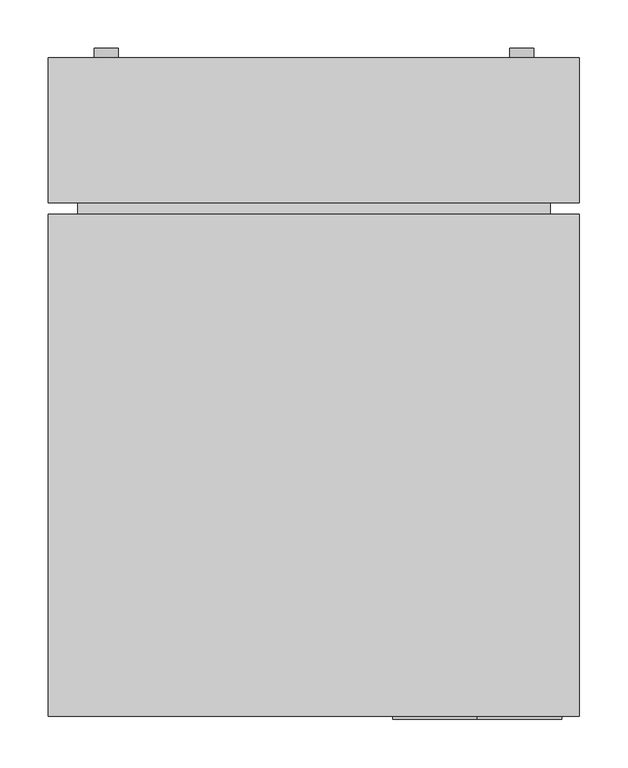
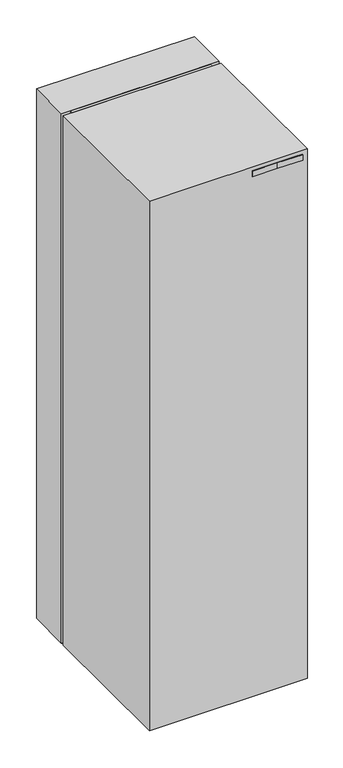
"""IFC4 building model written with IfcOpenShell, lengths in millimetres: proxy geometry."""

from ifc_helpers import new_model, si_unit, point, frame, frame_2d, origin, place, context, project, spatial, polyline, circle_curve, trimmed, segment, composite_curve, outline, extrude, faceted_brep, source, transform, mapped, element, save
from ifc_brep_helpers import plane_surface, cylinder_surface, revolved_surface, advanced_brep


def specialty_equipment_4cf3c1c3(model_context):
    return source(origin(), model_context, "Body", "SolidModel", [
        extrude(outline(composite_curve([segment(trimmed(circle_curve(frame_2d((770.5, -87.555194)), 1.0), [point((771.5, -87.555194))], [point((770.5, -88.555194))], False, "CARTESIAN"), True, "CONTINUOUS"), segment(polyline([(770.5, -88.555194), (737.5, -88.555194)]), True, "CONTINUOUS"), segment(trimmed(circle_curve(frame_2d((737.5, -87.555194)), 1.0), [point((737.5, -88.555194))], [point((736.5, -87.555194))], False, "CARTESIAN"), True, "CONTINUOUS"), segment(polyline([(736.5, -87.555194), (736.5, -58.555194), (736.5, 87.444806)]), True, "CONTINUOUS"), segment(trimmed(circle_curve(frame_2d((737.5, 87.444806)), 1.0), [point((736.5, 87.444806))], [point((737.5, 88.444806))], False, "CARTESIAN"), True, "CONTINUOUS"), segment(polyline([(737.5, 88.444806), (770.5, 88.444806)]), True, "CONTINUOUS"), segment(trimmed(circle_curve(frame_2d((770.5, 87.444806)), 1.0), [point((770.5, 88.444806))], [point((771.5, 87.444806))], False, "CARTESIAN"), True, "CONTINUOUS"), segment(polyline([(771.5, 87.444806), (771.5, -87.555194)]), True, "CONTINUOUS")], self_intersect=False), holes=[composite_curve([segment(trimmed(circle_curve(frame_2d((754.0, -75.055194)), 7.1), [point((754.0, -67.955194))], [point((754.0, -82.155194))], True, "CARTESIAN"), True, "CONTINUOUS"), segment(trimmed(circle_curve(frame_2d((754.0, -75.055194)), 7.1), [point((754.0, -82.155194))], [point((754.0, -67.955194))], True, "CARTESIAN"), True, "CONTINUOUS")], self_intersect=False), composite_curve([segment(trimmed(circle_curve(frame_2d((754.0, 74.944806)), 7.1), [point((754.0, 82.044806))], [point((754.0, 67.844806))], True, "CARTESIAN"), True, "CONTINUOUS"), segment(trimmed(circle_curve(frame_2d((754.0, 74.944806)), 7.1), [point((754.0, 67.844806))], [point((754.0, 82.044806))], True, "CARTESIAN"), True, "CONTINUOUS")], self_intersect=False)]), frame((0.0, 416.0980072, 0.0), z_axis=(0.0, 1.0, 0.0), x_axis=(0.0, 0.0, 1.0)), (0.0, 0.0, 1.0), 6.0019928),
        extrude(outline(polyline([(533.0, -197.044694), (533.0, -247.053194), (493.0, -247.053194), (493.0, -229.044694), (495.0, -229.044694), (495.0, -234.044694), (503.0, -234.044694), (503.0, -214.044694), (495.0, -214.044694), (495.0, -219.044694), (493.0, -219.044694), (493.0, -165.044694), (495.0, -165.044694), (495.0, -170.044694), (503.0, -170.044694), (503.0, -150.044694), (495.0, -150.044694), (495.0, -155.044694), (493.0, -155.044694), (493.0, -101.044694), (495.0, -101.044694), (495.0, -106.044694), (503.0, -106.044694), (503.0, -86.044694), (495.0, -86.044694), (495.0, -91.044694), (493.0, -91.044694), (493.0, -37.044694), (495.0, -37.044694), (495.0, -42.044694), (503.0, -42.044694), (503.0, -22.044694), (495.0, -22.044694), (495.0, -27.044694), (493.0, -27.044694), (493.0, 26.955306), (495.0, 26.955306), (495.0, 21.955306), (503.0, 21.955306), (503.0, 41.955306), (495.0, 41.955306), (495.0, 36.955306), (493.0, 36.955306), (493.0, 90.955306), (495.0, 90.955306), (495.0, 85.955306), (503.0, 85.955306), (503.0, 105.955306), (495.0, 105.955306), (495.0, 100.955306), (493.0, 100.955306), (493.0, 154.955306), (495.0, 154.955306), (495.0, 149.955306), (503.0, 149.955306), (503.0, 169.955306), (495.0, 169.955306), (495.0, 164.955306), (493.0, 164.955306), (493.0, 218.955306), (495.0, 218.955306), (495.0, 213.955306), (503.0, 213.955306), (503.0, 233.955306), (495.0, 233.955306), (495.0, 228.955306), (493.0, 228.955306), (493.0, 246.948806), (533.0, 246.948806), (533.0, 196.955306), (531.0, 196.955306), (531.0, 201.955306), (523.0, 201.955306), (523.0, 181.955306), (531.0, 181.955306), (531.0, 186.955306), (533.0, 186.955306), (533.0, 132.955306), (531.0, 132.955306), (531.0, 137.955306), (523.0, 137.955306), (523.0, 117.955306), (531.0, 117.955306), (531.0, 122.955306), (533.0, 122.955306), (533.0, 68.955306), (531.0, 68.955306), (531.0, 73.955306), (523.0, 73.955306), (523.0, 53.955306), (531.0, 53.955306), (531.0, 58.955306), (533.0, 58.955306), (533.0, 4.955306), (531.0, 4.955306), (531.0, 9.955306), (523.0, 9.955306), (523.0, -10.044694), (531.0, -10.044694), (531.0, -5.044694), (533.0, -5.044694), (533.0, -59.044694), (531.0, -59.044694), (531.0, -54.044694), (523.0, -54.044694), (523.0, -74.044694), (531.0, -74.044694), (531.0, -69.044694), (533.0, -69.044694), (533.0, -123.044694), (531.0, -123.044694), (531.0, -118.044694), (523.0, -118.044694), (523.0, -138.044694), (531.0, -138.044694), (531.0, -133.044694), (533.0, -133.044694), (533.0, -187.044694), (531.0, -187.044694), (531.0, -182.044694), (523.0, -182.044694), (523.0, -202.044694), (531.0, -202.044694), (531.0, -197.044694), (533.0, -197.044694)]), holes=[composite_curve([segment(trimmed(circle_curve(frame_2d((513.0, -193.044694)), 2.25), [point((513.0, -195.294694))], [point((513.0, -190.794694))], True, "CARTESIAN"), True, "CONTINUOUS"), segment(trimmed(circle_curve(frame_2d((513.0, -193.044694)), 2.25), [point((513.0, -190.794694))], [point((513.0, -195.294694))], True, "CARTESIAN"), True, "CONTINUOUS")], self_intersect=False), composite_curve([segment(trimmed(circle_curve(frame_2d((513.0, -91.544694)), 4.5), [point((514.7237205, -87.3879179))], [point((511.2762795, -95.7014701))], True, "CARTESIAN"), True, "CONTINUOUS"), segment(trimmed(circle_curve(frame_2d((513.0, -91.544694)), 4.5), [point((511.2762795, -95.7014701))], [point((514.7237205, -87.3879179))], True, "CARTESIAN"), True, "CONTINUOUS")], self_intersect=False), composite_curve([segment(trimmed(circle_curve(frame_2d((513.0, 91.455306)), 4.5), [point((514.7237205, 95.6120821))], [point((511.2762795, 87.2985299))], True, "CARTESIAN"), True, "CONTINUOUS"), segment(trimmed(circle_curve(frame_2d((513.0, 91.455306)), 4.5), [point((511.2762795, 87.2985299))], [point((514.7237205, 95.6120821))], True, "CARTESIAN"), True, "CONTINUOUS")], self_intersect=False), composite_curve([segment(trimmed(circle_curve(frame_2d((513.0, 192.955306)), 2.25), [point((513.0, 190.705306))], [point((513.0, 195.205306))], True, "CARTESIAN"), True, "CONTINUOUS"), segment(trimmed(circle_curve(frame_2d((513.0, 192.955306)), 2.25), [point((513.0, 195.205306))], [point((513.0, 190.705306))], True, "CARTESIAN"), True, "CONTINUOUS")], self_intersect=False)]), frame((0.0, 416.0980072, 0.0), z_axis=(0.0, 1.0, 0.0), x_axis=(0.0, 0.0, 1.0)), (0.0, 0.0, 1.0), 6.0019928),
        extrude(outline(polyline([(1088.0, -197.044694), (1088.0, -247.053194), (1048.0, -247.053194), (1048.0, -229.044694), (1050.0, -229.044694), (1050.0, -234.044694), (1058.0, -234.044694), (1058.0, -214.044694), (1050.0, -214.044694), (1050.0, -219.044694), (1048.0, -219.044694), (1048.0, -165.044694), (1050.0, -165.044694), (1050.0, -170.044694), (1058.0, -170.044694), (1058.0, -150.044694), (1050.0, -150.044694), (1050.0, -155.044694), (1048.0, -155.044694), (1048.0, -101.044694), (1050.0, -101.044694), (1050.0, -106.044694), (1058.0, -106.044694), (1058.0, -86.044694), (1050.0, -86.044694), (1050.0, -91.044694), (1048.0, -91.044694), (1048.0, -37.044694), (1050.0, -37.044694), (1050.0, -42.044694), (1058.0, -42.044694), (1058.0, -22.044694), (1050.0, -22.044694), (1050.0, -27.044694), (1048.0, -27.044694), (1048.0, 26.955306), (1050.0, 26.955306), (1050.0, 21.955306), (1058.0, 21.955306), (1058.0, 41.955306), (1050.0, 41.955306), (1050.0, 36.955306), (1048.0, 36.955306), (1048.0, 90.955306), (1050.0, 90.955306), (1050.0, 85.955306), (1058.0, 85.955306), (1058.0, 105.955306), (1050.0, 105.955306), (1050.0, 100.955306), (1048.0, 100.955306), (1048.0, 154.955306), (1050.0, 154.955306), (1050.0, 149.955306), (1058.0, 149.955306), (1058.0, 169.955306), (1050.0, 169.955306), (1050.0, 164.955306), (1048.0, 164.955306), (1048.0, 218.955306), (1050.0, 218.955306), (1050.0, 213.955306), (1058.0, 213.955306), (1058.0, 233.955306), (1050.0, 233.955306), (1050.0, 228.955306), (1048.0, 228.955306), (1048.0, 246.948806), (1088.0, 246.948806), (1088.0, 196.955306), (1086.0, 196.955306), (1086.0, 201.955306), (1078.0, 201.955306), (1078.0, 181.955306), (1086.0, 181.955306), (1086.0, 186.955306), (1088.0, 186.955306), (1088.0, 132.955306), (1086.0, 132.955306), (1086.0, 137.955306), (1078.0, 137.955306), (1078.0, 117.955306), (1086.0, 117.955306), (1086.0, 122.955306), (1088.0, 122.955306), (1088.0, 68.955306), (1086.0, 68.955306), (1086.0, 73.955306), (1078.0, 73.955306), (1078.0, 53.955306), (1086.0, 53.955306), (1086.0, 58.955306), (1088.0, 58.955306), (1088.0, 4.955306), (1086.0, 4.955306), (1086.0, 9.955306), (1078.0, 9.955306), (1078.0, -10.044694), (1086.0, -10.044694), (1086.0, -5.044694), (1088.0, -5.044694), (1088.0, -59.044694), (1086.0, -59.044694), (1086.0, -54.044694), (1078.0, -54.044694), (1078.0, -74.044694), (1086.0, -74.044694), (1086.0, -69.044694), (1088.0, -69.044694), (1088.0, -123.044694), (1086.0, -123.044694), (1086.0, -118.044694), (1078.0, -118.044694), (1078.0, -138.044694), (1086.0, -138.044694), (1086.0, -133.044694), (1088.0, -133.044694), (1088.0, -187.044694), (1086.0, -187.044694), (1086.0, -182.044694), (1078.0, -182.044694), (1078.0, -202.044694), (1086.0, -202.044694), (1086.0, -197.044694), (1088.0, -197.044694)]), holes=[composite_curve([segment(trimmed(circle_curve(frame_2d((1068.0, -193.044694)), 2.25), [point((1068.0, -195.294694))], [point((1068.0, -190.794694))], True, "CARTESIAN"), True, "CONTINUOUS"), segment(trimmed(circle_curve(frame_2d((1068.0, -193.044694)), 2.25), [point((1068.0, -190.794694))], [point((1068.0, -195.294694))], True, "CARTESIAN"), True, "CONTINUOUS")], self_intersect=False), composite_curve([segment(trimmed(circle_curve(frame_2d((1068.0, -91.544694)), 4.5), [point((1069.7237205, -87.3879179))], [point((1066.2762795, -95.7014701))], True, "CARTESIAN"), True, "CONTINUOUS"), segment(trimmed(circle_curve(frame_2d((1068.0, -91.544694)), 4.5), [point((1066.2762795, -95.7014701))], [point((1069.7237205, -87.3879179))], True, "CARTESIAN"), True, "CONTINUOUS")], self_intersect=False), composite_curve([segment(trimmed(circle_curve(frame_2d((1068.0, 91.455306)), 4.5), [point((1069.7237205, 95.6120821))], [point((1066.2762795, 87.2985299))], True, "CARTESIAN"), True, "CONTINUOUS"), segment(trimmed(circle_curve(frame_2d((1068.0, 91.455306)), 4.5), [point((1066.2762795, 87.2985299))], [point((1069.7237205, 95.6120821))], True, "CARTESIAN"), True, "CONTINUOUS")], self_intersect=False), composite_curve([segment(trimmed(circle_curve(frame_2d((1068.0, 192.955306)), 2.25), [point((1068.0, 190.705306))], [point((1068.0, 195.205306))], True, "CARTESIAN"), True, "CONTINUOUS"), segment(trimmed(circle_curve(frame_2d((1068.0, 192.955306)), 2.25), [point((1068.0, 195.205306))], [point((1068.0, 190.705306))], True, "CARTESIAN"), True, "CONTINUOUS")], self_intersect=False)]), frame((0.0, 416.0980072, 0.0), z_axis=(0.0, 1.0, 0.0), x_axis=(0.0, 0.0, 1.0)), (0.0, 0.0, 1.0), 6.0019928),
        extrude(outline(polyline([(1663.0, -197.046694), (1663.0, -247.055194), (1623.0, -247.055194), (1623.0, -229.046694), (1625.0, -229.046694), (1625.0, -234.046694), (1633.0, -234.046694), (1633.0, -214.046694), (1625.0, -214.046694), (1625.0, -219.046694), (1623.0, -219.046694), (1623.0, -165.046694), (1625.0, -165.046694), (1625.0, -170.046694), (1633.0, -170.046694), (1633.0, -150.046694), (1625.0, -150.046694), (1625.0, -155.046694), (1623.0, -155.046694), (1623.0, -101.046694), (1625.0, -101.046694), (1625.0, -106.046694), (1633.0, -106.046694), (1633.0, -86.046694), (1625.0, -86.046694), (1625.0, -91.046694), (1623.0, -91.046694), (1623.0, -37.046694), (1625.0, -37.046694), (1625.0, -42.046694), (1633.0, -42.046694), (1633.0, -22.046694), (1625.0, -22.046694), (1625.0, -27.046694), (1623.0, -27.046694), (1623.0, 26.953306), (1625.0, 26.953306), (1625.0, 21.953306), (1633.0, 21.953306), (1633.0, 41.953306), (1625.0, 41.953306), (1625.0, 36.953306), (1623.0, 36.953306), (1623.0, 90.953306), (1625.0, 90.953306), (1625.0, 85.953306), (1633.0, 85.953306), (1633.0, 105.953306), (1625.0, 105.953306), (1625.0, 100.953306), (1623.0, 100.953306), (1623.0, 154.953306), (1625.0, 154.953306), (1625.0, 149.953306), (1633.0, 149.953306), (1633.0, 169.953306), (1625.0, 169.953306), (1625.0, 164.953306), (1623.0, 164.953306), (1623.0, 218.953306), (1625.0, 218.953306), (1625.0, 213.953306), (1633.0, 213.953306), (1633.0, 233.953306), (1625.0, 233.953306), (1625.0, 228.953306), (1623.0, 228.953306), (1623.0, 246.946806), (1663.0, 246.946806), (1663.0, 196.953306), (1661.0, 196.953306), (1661.0, 201.953306), (1653.0, 201.953306), (1653.0, 181.953306), (1661.0, 181.953306), (1661.0, 186.953306), (1663.0, 186.953306), (1663.0, 132.953306), (1661.0, 132.953306), (1661.0, 137.953306), (1653.0, 137.953306), (1653.0, 117.953306), (1661.0, 117.953306), (1661.0, 122.953306), (1663.0, 122.953306), (1663.0, 68.953306), (1661.0, 68.953306), (1661.0, 73.953306), (1653.0, 73.953306), (1653.0, 53.953306), (1661.0, 53.953306), (1661.0, 58.953306), (1663.0, 58.953306), (1663.0, 4.953306), (1661.0, 4.953306), (1661.0, 9.953306), (1653.0, 9.953306), (1653.0, -10.046694), (1661.0, -10.046694), (1661.0, -5.046694), (1663.0, -5.046694), (1663.0, -59.046694), (1661.0, -59.046694), (1661.0, -54.046694), (1653.0, -54.046694), (1653.0, -74.046694), (1661.0, -74.046694), (1661.0, -69.046694), (1663.0, -69.046694), (1663.0, -123.046694), (1661.0, -123.046694), (1661.0, -118.046694), (1653.0, -118.046694), (1653.0, -138.046694), (1661.0, -138.046694), (1661.0, -133.046694), (1663.0, -133.046694), (1663.0, -187.046694), (1661.0, -187.046694), (1661.0, -182.046694), (1653.0, -182.046694), (1653.0, -202.046694), (1661.0, -202.046694), (1661.0, -197.046694), (1663.0, -197.046694)]), holes=[composite_curve([segment(trimmed(circle_curve(frame_2d((1643.0, -193.046694)), 2.25), [point((1643.0, -195.296694))], [point((1643.0, -190.796694))], True, "CARTESIAN"), True, "CONTINUOUS"), segment(trimmed(circle_curve(frame_2d((1643.0, -193.046694)), 2.25), [point((1643.0, -190.796694))], [point((1643.0, -195.296694))], True, "CARTESIAN"), True, "CONTINUOUS")], self_intersect=False), composite_curve([segment(trimmed(circle_curve(frame_2d((1643.0, -91.546694)), 4.5), [point((1644.7237205, -87.3899179))], [point((1641.2762795, -95.7034701))], True, "CARTESIAN"), True, "CONTINUOUS"), segment(trimmed(circle_curve(frame_2d((1643.0, -91.546694)), 4.5), [point((1641.2762795, -95.7034701))], [point((1644.7237205, -87.3899179))], True, "CARTESIAN"), True, "CONTINUOUS")], self_intersect=False), composite_curve([segment(trimmed(circle_curve(frame_2d((1643.0, 91.453306)), 4.5), [point((1644.7237205, 95.6100821))], [point((1641.2762795, 87.2965299))], True, "CARTESIAN"), True, "CONTINUOUS"), segment(trimmed(circle_curve(frame_2d((1643.0, 91.453306)), 4.5), [point((1641.2762795, 87.2965299))], [point((1644.7237205, 95.6100821))], True, "CARTESIAN"), True, "CONTINUOUS")], self_intersect=False), composite_curve([segment(trimmed(circle_curve(frame_2d((1643.0, 192.953306)), 2.25), [point((1643.0, 190.703306))], [point((1643.0, 195.203306))], True, "CARTESIAN"), True, "CONTINUOUS"), segment(trimmed(circle_curve(frame_2d((1643.0, 192.953306)), 2.25), [point((1643.0, 195.203306))], [point((1643.0, 190.703306))], True, "CARTESIAN"), True, "CONTINUOUS")], self_intersect=False)]), frame((0.0, 416.0980072, 0.0), z_axis=(0.0, 1.0, 0.0), x_axis=(0.0, 0.0, 1.0)), (0.0, 0.0, 1.0), 6.0019928),
        extrude(outline(composite_curve([segment(trimmed(circle_curve(frame_2d((1799.9995987, -214.9999927)), 12.5), [point((1799.9995987, -227.4999927))], [point((1799.9995987, -202.4999927))], False, "CARTESIAN"), True, "CONTINUOUS"), segment(trimmed(circle_curve(frame_2d((1799.9995987, -214.9999927)), 12.5), [point((1799.9995987, -202.4999927))], [point((1799.9995987, -227.4999927))], False, "CARTESIAN"), True, "CONTINUOUS")], self_intersect=False), holes=[composite_curve([segment(trimmed(circle_curve(frame_2d((1799.9995987, -214.9999927)), 4.25), [point((1799.9995987, -219.2499927))], [point((1799.9995987, -210.7499927))], True, "CARTESIAN"), True, "CONTINUOUS"), segment(trimmed(circle_curve(frame_2d((1799.9995987, -214.9999927)), 4.25), [point((1799.9995987, -210.7499927))], [point((1799.9995987, -219.2499927))], True, "CARTESIAN"), True, "CONTINUOUS")], self_intersect=False)]), frame((0.0, 416.0980072, 0.0), z_axis=(0.0, 1.0, 0.0), x_axis=(0.0, 0.0, 1.0)), (0.0, 0.0, 1.0), 16.0019927),
        extrude(outline(composite_curve([segment(trimmed(circle_curve(frame_2d((1799.9995987, 215.2156848)), 12.5), [point((1799.9995987, 202.7156848))], [point((1799.9995987, 227.7156847))], False, "CARTESIAN"), True, "CONTINUOUS"), segment(trimmed(circle_curve(frame_2d((1799.9995987, 215.2156848)), 12.5), [point((1799.9995987, 227.7156847))], [point((1799.9995987, 202.7156848))], False, "CARTESIAN"), True, "CONTINUOUS")], self_intersect=False), holes=[composite_curve([segment(trimmed(circle_curve(frame_2d((1799.9995987, 215.2156848)), 4.25), [point((1799.9995987, 210.9656848))], [point((1799.9995987, 219.4656848))], True, "CARTESIAN"), True, "CONTINUOUS"), segment(trimmed(circle_curve(frame_2d((1799.9995987, 215.2156848)), 4.25), [point((1799.9995987, 219.4656848))], [point((1799.9995987, 210.9656848))], True, "CARTESIAN"), True, "CONTINUOUS")], self_intersect=False)]), frame((0.0, 416.0980072, 0.0), z_axis=(0.0, 1.0, 0.0), x_axis=(0.0, 0.0, 1.0)), (0.0, 0.0, 1.0), 16.0019927),
        extrude(outline(composite_curve([segment(trimmed(circle_curve(frame_2d((399.9995987, -214.9999927)), 12.5), [point((399.9995987, -227.4999927))], [point((399.9995987, -202.4999927))], False, "CARTESIAN"), True, "CONTINUOUS"), segment(trimmed(circle_curve(frame_2d((399.9995987, -214.9999927)), 12.5), [point((399.9995987, -202.4999927))], [point((399.9995987, -227.4999927))], False, "CARTESIAN"), True, "CONTINUOUS")], self_intersect=False), holes=[composite_curve([segment(trimmed(circle_curve(frame_2d((399.9995987, -214.9999927)), 4.25), [point((399.9995987, -219.2499927))], [point((399.9995987, -210.7499927))], True, "CARTESIAN"), True, "CONTINUOUS"), segment(trimmed(circle_curve(frame_2d((399.9995987, -214.9999927)), 4.25), [point((399.9995987, -210.7499927))], [point((399.9995987, -219.2499927))], True, "CARTESIAN"), True, "CONTINUOUS")], self_intersect=False)]), frame((0.0, 416.0980072, 0.0), z_axis=(0.0, 1.0, 0.0), x_axis=(0.0, 0.0, 1.0)), (0.0, 0.0, 1.0), 16.0019927),
        extrude(outline(composite_curve([segment(trimmed(circle_curve(frame_2d((399.9995987, 215.2156848)), 12.5), [point((399.9995987, 202.7156848))], [point((399.9995987, 227.7156847))], False, "CARTESIAN"), True, "CONTINUOUS"), segment(trimmed(circle_curve(frame_2d((399.9995987, 215.2156848)), 12.5), [point((399.9995987, 227.7156847))], [point((399.9995987, 202.7156848))], False, "CARTESIAN"), True, "CONTINUOUS")], self_intersect=False), holes=[composite_curve([segment(trimmed(circle_curve(frame_2d((399.9995987, 215.2156848)), 4.25), [point((399.9995987, 210.9656848))], [point((399.9995987, 219.4656848))], True, "CARTESIAN"), True, "CONTINUOUS"), segment(trimmed(circle_curve(frame_2d((399.9995987, 215.2156848)), 4.25), [point((399.9995987, 219.4656848))], [point((399.9995987, 210.9656848))], True, "CARTESIAN"), True, "CONTINUOUS")], self_intersect=False)]), frame((0.0, 416.0980072, 0.0), z_axis=(0.0, 1.0, 0.0), x_axis=(0.0, 0.0, 1.0)), (0.0, 0.0, 1.0), 16.0019927),
        extrude(outline(composite_curve([segment(trimmed(circle_curve(frame_2d((-222.639509, 21.2855606)), 21.2855606), [point((-201.3539484, 21.2855606))], [point((-243.9250696, 21.2855606))], False, "CARTESIAN"), True, "CONTINUOUS"), segment(trimmed(circle_curve(frame_2d((-222.639509, 21.2855606)), 21.2855606), [point((-243.9250696, 21.2855606))], [point((-201.3539484, 21.2855606))], False, "CARTESIAN"), True, "CONTINUOUS")], self_intersect=False)), frame((257.6486055, 0.0, 0.0), z_axis=(1.0, 0.0, 0.0), x_axis=(0.0, 1.0, 0.0)), (0.0, 0.0, 1.0), 10.0),
        extrude(outline(composite_curve([segment(trimmed(circle_curve(frame_2d((-222.639509, 21.2855606)), 21.2855606), [point((-201.3539484, 21.2855606))], [point((-243.9250696, 21.2855606))], False, "CARTESIAN"), True, "CONTINUOUS"), segment(trimmed(circle_curve(frame_2d((-222.639509, 21.2855606)), 21.2855606), [point((-243.9250696, 21.2855606))], [point((-201.3539484, 21.2855606))], False, "CARTESIAN"), True, "CONTINUOUS")], self_intersect=False)), frame((-267.6486055, 0.0, 0.0), z_axis=(1.0, 0.0, 0.0), x_axis=(0.0, 1.0, 0.0)), (0.0, 0.0, 1.0), 10.0),
        extrude(outline(composite_curve([segment(trimmed(circle_curve(frame_2d((208.639509, 21.2855606)), 21.2855606), [point((229.9250696, 21.2855606))], [point((187.3539484, 21.2855606))], False, "CARTESIAN"), True, "CONTINUOUS"), segment(trimmed(circle_curve(frame_2d((208.639509, 21.2855606)), 21.2855606), [point((187.3539484, 21.2855606))], [point((229.9250696, 21.2855606))], False, "CARTESIAN"), True, "CONTINUOUS")], self_intersect=False)), frame((257.6486055, 0.0, 0.0), z_axis=(1.0, 0.0, 0.0), x_axis=(0.0, 1.0, 0.0)), (0.0, 0.0, 1.0), 10.0),
        extrude(outline(composite_curve([segment(trimmed(circle_curve(frame_2d((208.639509, 21.2855606)), 21.2855606), [point((229.9250696, 21.2855606))], [point((187.3539484, 21.2855606))], False, "CARTESIAN"), True, "CONTINUOUS"), segment(trimmed(circle_curve(frame_2d((208.639509, 21.2855606)), 21.2855606), [point((187.3539484, 21.2855606))], [point((229.9250696, 21.2855606))], False, "CARTESIAN"), True, "CONTINUOUS")], self_intersect=False)), frame((-267.6486055, 0.0, 0.0), z_axis=(1.0, 0.0, 0.0), x_axis=(0.0, 1.0, 0.0)), (0.0, 0.0, 1.0), 10.0),
        faceted_brep([(275.0, 422.1, 1955.0), (-275.0, 422.1, 1955.0), (-275.0, 272.0, 1955.0), (275.0, 272.0, 1955.0), (275.0, 422.1, 6.8587995), (275.0, 272.0, 6.8587995), (-275.0, 272.0, 6.8587995), (-275.0, 422.1, 6.8587995), (248.0, 422.1, 153.972), (248.0, 422.1, 1910.0), (-247.055194, 422.1, 1910.0), (-247.055194, 422.1, 153.972), (174.944806, 422.1, 1715.0), (-175.055194, 422.1, 1715.0), (-175.055194, 422.1, 1873.323), (174.944806, 422.1, 1873.323), (248.0, 416.0980072, 1910.0), (248.0, 416.0980072, 153.972), (-247.055194, 416.0980072, 153.972), (-247.055194, 416.0980072, 1910.0), (-175.055194, 416.0980072, 1715.0), (174.944806, 416.0980072, 1715.0), (174.944806, 416.0980072, 1873.323), (-175.055194, 416.0980072, 1873.323)], [[[0, 1, 2, 3]], [[4, 5, 6, 7]], [[1, 0, 4, 7], [8, 9, 10, 11]], [[12, 13, 14, 15]], [[2, 1, 7, 6]], [[3, 2, 6, 5]], [[0, 3, 5, 4]], [[16, 17, 18, 19], [20, 21, 22, 23]], [[17, 16, 9, 8]], [[18, 17, 8, 11]], [[19, 18, 11, 10]], [[16, 19, 10, 9]], [[21, 20, 13, 12]], [[22, 21, 12, 15]], [[23, 22, 15, 14]], [[20, 23, 14, 13]]]),
        extrude(outline(polyline([(244.7755311, 260.0), (-244.5481133, 260.0), (-244.5481133, 272.1), (244.7755311, 272.1), (244.7755311, 260.0)])), frame((0.0, 0.0, 14.0), z_axis=(0.0, 0.0, 1.0), x_axis=(1.0, 0.0, 0.0)), (0.0, 0.0, 1.0), 1940.0),
        extrude(outline(polyline([(275.0, 260.0), (275.0, -260.0), (-275.0, -260.0), (-275.0, 260.0), (275.0, 260.0)])), frame((0.0, 0.0, 6.8587995), z_axis=(0.0, 0.0, 1.0), x_axis=(1.0, 0.0, 0.0)), (0.0, 0.0, 1.0), 1948.1412005),
        advanced_brep(
        [(267.6486055, 281.2545468, 6.8587995), (255.8513945, 281.2545468, 6.8587995), (261.75, 281.2545468, 6.8587995), (267.6486055, 281.2545468, 6.0), (255.8513945, 281.2545468, 6.0), (269.75, 281.2545468, 6.0), (253.75, 281.2545468, 6.0), (269.330439, 281.2545468, 0.0), (254.169561, 281.2545468, 0.0), (261.75, 281.2545468, 0.0)],
        [
            (0, 1, circle_curve(frame((261.75, 281.2545468, 6.8587995), z_axis=(0.0, 0.0, 1.0), x_axis=(-1.0, 0.0, 0.0)), 5.8986055)),
            (1, 2),
            (2, 0),
            (1, 0, circle_curve(frame((261.75, 281.2545468, 6.8587995), z_axis=(0.0, 0.0, 1.0), x_axis=(-1.0, 0.0, 0.0)), 5.8986055)),
            (3, 4, circle_curve(frame((261.75, 281.2545468, 6.0), z_axis=(0.0, 0.0, 1.0), x_axis=(-1.0, 0.0, 0.0)), 5.8986055)),
            (4, 1),
            (0, 3),
            (4, 3, circle_curve(frame((261.75, 281.2545468, 6.0), z_axis=(0.0, 0.0, 1.0), x_axis=(-1.0, 0.0, 0.0)), 5.8986055)),
            (5, 6, circle_curve(frame((261.75, 281.2545468, 6.0), z_axis=(0.0, 0.0, 1.0), x_axis=(-1.0, 0.0, 0.0)), 8.0)),
            (6, 4),
            (3, 5),
            (6, 5, circle_curve(frame((261.75, 281.2545468, 6.0), z_axis=(0.0, 0.0, 1.0), x_axis=(-1.0, 0.0, 0.0)), 8.0)),
            (7, 8, circle_curve(frame((261.75, 281.2545468, 0.0), z_axis=(0.0, 0.0, 1.0), x_axis=(-1.0, 0.0, 0.0)), 7.580439)),
            (8, 6),
            (5, 7),
            (8, 7, circle_curve(frame((261.75, 281.2545468, 0.0), z_axis=(0.0, 0.0, 1.0), x_axis=(-1.0, 0.0, 0.0)), 7.580439)),
            (9, 8),
            (7, 9),
        ],
        [
            plane_surface(frame((261.75, 281.2545468, 6.8587995), z_axis=(0.0, 0.0, 1.0), x_axis=(-1.0, 0.0, 0.0))),
            cylinder_surface(frame((261.75, 281.2545468, 8.8756884), z_axis=(0.0, 0.0, -1.0), x_axis=(-1.0, 0.0, 0.0)), 5.8986055),
            plane_surface(frame((261.75, 281.2545468, 6.0), z_axis=(0.0, 0.0, 1.0), x_axis=(-1.0, 0.0, 0.0))),
            revolved_surface(polyline([(253.75, 281.2545468, 6.0), (254.169561, 281.2545468, 0.0)]), (261.75, 281.2545468, 8.8756884), (0.0, 0.0, -1.0)),
            plane_surface(frame((261.75, 281.2545468, 0.0), z_axis=(0.0, 0.0, -1.0), x_axis=(-1.0, 0.0, 0.0))),
        ],
        [
            (0, [[1, 2, 3]]),
            (0, [[4, -3, -2]]),
            (1, [[5, 6, -1, 7]]),
            (1, [[8, -7, -4, -6]]),
            (2, [[9, 10, -5, 11]]),
            (2, [[12, -11, -8, -10]]),
            (3, [[13, 14, -9, 15]]),
            (3, [[16, -15, -12, -14]]),
            (4, [[17, -13, 18]]),
            (4, [[-18, -16, -17]]),
        ],
    ),
        advanced_brep(
        [(-255.8513945, 281.2545468, 6.8587995), (-267.6486055, 281.2545468, 6.8587995), (-261.75, 281.2545468, 6.8587995), (-255.8513945, 281.2545468, 6.0), (-267.6486055, 281.2545468, 6.0), (-253.75, 281.2545468, 6.0), (-269.75, 281.2545468, 6.0), (-254.169561, 281.2545468, 0.0), (-269.330439, 281.2545468, 0.0), (-261.75, 281.2545468, 0.0)],
        [
            (0, 1, circle_curve(frame((-261.75, 281.2545468, 6.8587995), z_axis=(0.0, 0.0, 1.0), x_axis=(-1.0, 0.0, 0.0)), 5.8986055)),
            (1, 2),
            (2, 0),
            (1, 0, circle_curve(frame((-261.75, 281.2545468, 6.8587995), z_axis=(0.0, 0.0, 1.0), x_axis=(-1.0, 0.0, 0.0)), 5.8986055)),
            (3, 4, circle_curve(frame((-261.75, 281.2545468, 6.0), z_axis=(0.0, 0.0, 1.0), x_axis=(-1.0, 0.0, 0.0)), 5.8986055)),
            (4, 1),
            (0, 3),
            (4, 3, circle_curve(frame((-261.75, 281.2545468, 6.0), z_axis=(0.0, 0.0, 1.0), x_axis=(-1.0, 0.0, 0.0)), 5.8986055)),
            (5, 6, circle_curve(frame((-261.75, 281.2545468, 6.0), z_axis=(0.0, 0.0, 1.0), x_axis=(-1.0, 0.0, 0.0)), 8.0)),
            (6, 4),
            (3, 5),
            (6, 5, circle_curve(frame((-261.75, 281.2545468, 6.0), z_axis=(0.0, 0.0, 1.0), x_axis=(-1.0, 0.0, 0.0)), 8.0)),
            (7, 8, circle_curve(frame((-261.75, 281.2545468, 0.0), z_axis=(0.0, 0.0, 1.0), x_axis=(-1.0, 0.0, 0.0)), 7.580439)),
            (8, 6),
            (5, 7),
            (8, 7, circle_curve(frame((-261.75, 281.2545468, 0.0), z_axis=(0.0, 0.0, 1.0), x_axis=(-1.0, 0.0, 0.0)), 7.580439)),
            (9, 8),
            (7, 9),
        ],
        [
            plane_surface(frame((-261.75, 281.2545468, 6.8587995), z_axis=(0.0, 0.0, 1.0), x_axis=(-1.0, 0.0, 0.0))),
            cylinder_surface(frame((-261.75, 281.2545468, 8.8756884), z_axis=(0.0, 0.0, -1.0), x_axis=(-1.0, 0.0, 0.0)), 5.8986055),
            plane_surface(frame((-261.75, 281.2545468, 6.0), z_axis=(0.0, 0.0, 1.0), x_axis=(-1.0, 0.0, 0.0))),
            revolved_surface(polyline([(-269.75, 281.2545468, 6.0), (-269.330439, 281.2545468, 0.0)]), (-261.75, 281.2545468, 8.8756884), (0.0, 0.0, -1.0)),
            plane_surface(frame((-261.75, 281.2545468, 0.0), z_axis=(0.0, 0.0, -1.0), x_axis=(-1.0, 0.0, 0.0))),
        ],
        [
            (0, [[1, 2, 3]]),
            (0, [[4, -3, -2]]),
            (1, [[5, 6, -1, 7]]),
            (1, [[8, -7, -4, -6]]),
            (2, [[9, 10, -5, 11]]),
            (2, [[12, -11, -8, -10]]),
            (3, [[13, 14, -9, 15]]),
            (3, [[16, -15, -12, -14]]),
            (4, [[17, -13, 18]]),
            (4, [[-18, -16, -17]]),
        ],
    ),
        extrude(outline(polyline([(257.0000027, -263.0000978), (169.5000027, -263.0000978), (169.5000027, -260.0), (257.0000027, -260.0), (257.0000027, -263.0000978)])), frame((0.0, 0.0, 1922.5), z_axis=(0.0, 0.0, 1.0), x_axis=(1.0, 0.0, 0.0)), (0.0, 0.0, 1.0), 20.0),
        extrude(outline(polyline([(169.5000027, -263.0000978), (82.0000027, -263.0000978), (82.0000027, -260.0), (169.5000027, -260.0), (169.5000027, -263.0000978)])), frame((0.0, 0.0, 1922.5), z_axis=(0.0, 0.0, 1.0), x_axis=(1.0, 0.0, 0.0)), (0.0, 0.0, 1.0), 20.0),
    ])


if __name__ == "__main__":
    model = new_model("IFC4")
    model_context = context("Model", 3, world=origin())
    ifc_project = project(units=[si_unit("LENGTHUNIT", "METRE", prefix="MILLI")], contexts=[model_context])
    site = spatial("IfcSite", under=ifc_project)
    building = spatial("IfcBuilding", under=site)
    placement = place(None, origin())
    specialty_equipment_shape = specialty_equipment_4cf3c1c3(model_context)
    element("IfcBuildingElementProxy", 1, Name="Specialty Equipment", at=placement, inside=building, context=model_context, shape_type="MappedRepresentation", body=[
        mapped(specialty_equipment_shape, transform((0.0, 0.0, 0.0), x_axis=(1.0, 0.0, 0.0), y_axis=(0.0, 1.0, 0.0), z_axis=(0.0, 0.0, 1.0))),
    ])
    save(model, "model.ifc")
